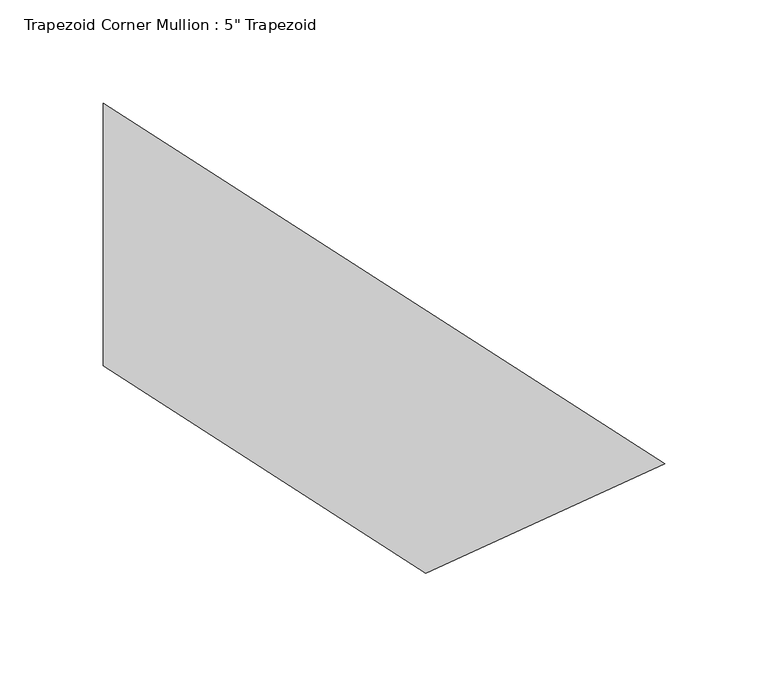
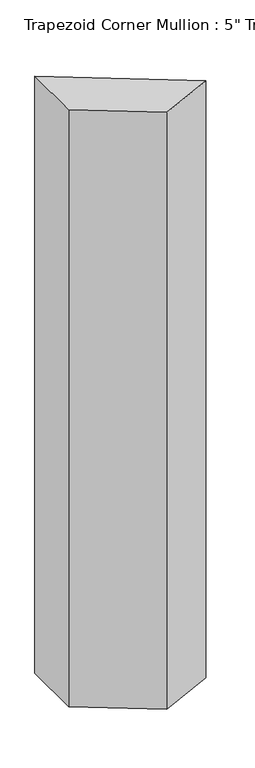
"""IFC4 building model written with IfcOpenShell, lengths in millimetres: member geometry."""

from ifc_helpers import new_model, si_unit, frame, origin, place, context, project, spatial, polyline, outline, extrude, source, transform, mapped, element, save


def member_d646b227(model_context):
    return source(origin(), model_context, "Body", "SweptSolid", [
        extrude(outline(polyline([(120.5478383, -110.8114616), (5.0670651, -163.6621098), (-150.9261784, -63.5), (-150.9261784, 63.5), (120.5478383, -110.8114616)])), frame((0.0, 0.0, -1373.0738216), z_axis=(0.0, 0.0, 1.0), x_axis=(1.0, 0.0, 0.0)), (0.0, 0.0, 1.0), 1373.0738216),
    ])


if __name__ == "__main__":
    model = new_model("IFC4")
    model_context = context("Model", 3, world=origin())
    ifc_project = project(units=[si_unit("LENGTHUNIT", "METRE", prefix="MILLI")], contexts=[model_context])
    site = spatial("IfcSite", under=ifc_project)
    building = spatial("IfcBuilding", under=site)
    placement = place(None, origin())
    member_shape = member_d646b227(model_context)
    element("IfcMember", 1, ObjectType="Trapezoid Corner Mullion : 5\" Trapezoid", at=placement, inside=building, context=model_context, shape_type="MappedRepresentation", body=[
        mapped(member_shape, transform((0.0, 0.0, 0.0), x_axis=(1.0, 0.0, 0.0), y_axis=(0.0, 1.0, 0.0), z_axis=(0.0, 0.0, 1.0))),
    ])
    save(model, "model.ifc")
